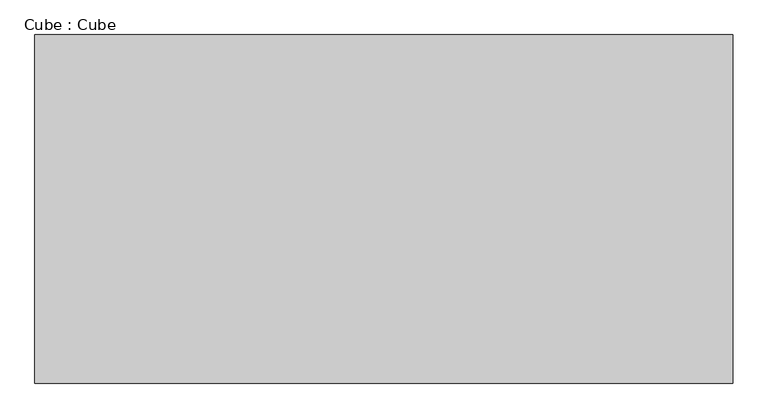
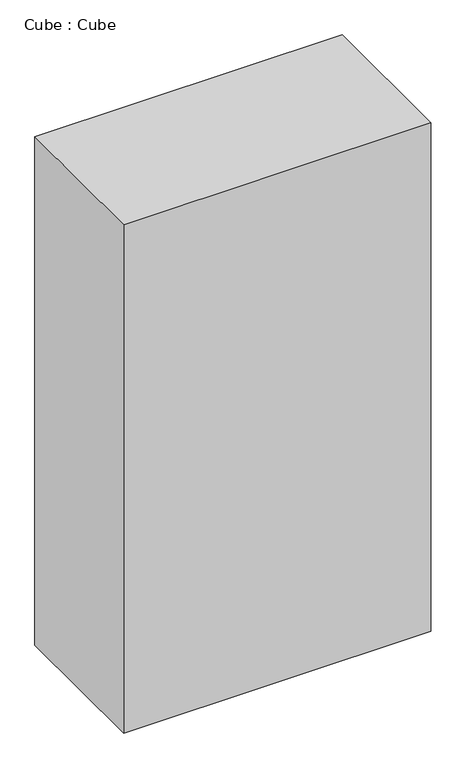
"""IFC4 building model written with IfcOpenShell, lengths in millimetres: proxy geometry, Cube : Cube."""

import ifcopenshell
import ifcopenshell.guid

model = None  # the IFC model being written
_history = None  # IfcOwnerHistory: only IFC2X3 demands one
_inside = {}  # id of a spatial element -> (the spatial element, [elements in it])
_under = {}  # id of a project, library or spatial element -> (it, [spatial elements below it])
_declared = {}  # id of a project -> (the project, [libraries it declares])
_typed = {}  # id of a type object -> (the type object, [elements of that type])
_made_of = {}  # id of a material, layer set ... -> (it, [elements and type objects made of it])


def new_model(schema):
    """Start an empty IFC model of exactly this schema.

    Asked for "IFC4X3", IfcOpenShell would pick the latest addendum, in which some entities
    have other attributes; the version numbers below select the first issue.
    IFC2X3 requires an IfcOwnerHistory on every rooted entity: one is made here for all.
    """
    global model, _history
    if schema == "IFC4X3":
        model = ifcopenshell.file(schema_version=(4, 3, 0, 0))
    else:
        model = ifcopenshell.file(schema=schema)
    _inside.clear()
    _under.clear()
    _declared.clear()
    _typed.clear()
    _made_of.clear()
    _history = None
    if model.schema == "IFC2X3":
        org = make("IfcOrganization", Name="unknown")
        user = make(
            "IfcPersonAndOrganization",
            ThePerson=make("IfcPerson", FamilyName="unknown"),
            TheOrganization=org,
        )
        app = make(
            "IfcApplication",
            ApplicationDeveloper=org,
            Version="unknown",
            ApplicationFullName="unknown",
            ApplicationIdentifier="unknown",
        )
        _history = make(
            "IfcOwnerHistory",
            OwningUser=user,
            OwningApplication=app,
            ChangeAction="ADDED",
            CreationDate=0,
        )
    return model


def make(cls, **values):
    """One entity of the class cls with the attributes given. An attribute that is None is left unset."""
    return model.create_entity(
        cls, **{name: value for name, value in values.items() if value is not None}
    )


def rooted(cls, **values):
    """An entity with a GlobalId (a new one), such as an element, a storey or a relation."""
    return make(cls, GlobalId=ifcopenshell.guid.new(), OwnerHistory=_history, **values)


def si_unit(unit_type, name, prefix=None):
    """IfcSIUnit, for example si_unit("LENGTHUNIT", "METRE", prefix="MILLI")."""
    return make("IfcSIUnit", UnitType=unit_type, Prefix=prefix, Name=name)


def assignment(units):
    """IfcUnitAssignment: the units of a project."""
    return None if units is None else make("IfcUnitAssignment", Units=units)


def point(xyz):
    """IfcCartesianPoint."""
    return None if xyz is None else make("IfcCartesianPoint", Coordinates=xyz)


def direction(xyz):
    """IfcDirection."""
    return None if xyz is None else make("IfcDirection", DirectionRatios=xyz)


def frame(location, z_axis=None, x_axis=None):
    """IfcAxis2Placement3D, a coordinate frame: its origin and axes. An axis left out is left unset."""
    return make(
        "IfcAxis2Placement3D",
        Location=point(location),
        Axis=direction(z_axis),
        RefDirection=direction(x_axis),
    )


def origin():
    """The frame at (0, 0, 0) with its axes left unset."""
    return frame((0.0, 0.0, 0.0))


def origin_with_axes():
    """The frame at (0, 0, 0) with the z axis (0, 0, 1) and the x axis (1, 0, 0) written out."""
    return frame((0.0, 0.0, 0.0), z_axis=(0.0, 0.0, 1.0), x_axis=(1.0, 0.0, 0.0))


def place(relative_to, where):
    """IfcLocalPlacement: puts the frame where relative to a parent placement (None: the world)."""
    return make(
        "IfcLocalPlacement", PlacementRelTo=relative_to, RelativePlacement=where
    )


def context(
    kind, dimensions, precision=None, world=None, true_north=None, identifier=None
):
    """IfcGeometricRepresentationContext, for example the 3D "Model" context."""
    return make(
        "IfcGeometricRepresentationContext",
        ContextIdentifier=identifier,
        ContextType=kind,
        CoordinateSpaceDimension=dimensions,
        Precision=precision,
        WorldCoordinateSystem=world,
        TrueNorth=true_north,
    )


def project(units=None, contexts=None):
    """IfcProject with its units and contexts."""
    return rooted(
        "IfcProject",
        Name="project",
        RepresentationContexts=contexts,
        UnitsInContext=assignment(units),
    )


def spatial(cls, under=None, at=None, **own):
    """A site, building, storey or space (cls), placed at a placement, below another one or the project."""
    s = rooted(cls, ObjectPlacement=at, **own)
    if under is not None:
        _under.setdefault(under.id(), (under, []))[1].append(s)
    return s


def polyline(points):
    """IfcPolyline through the points."""
    return make("IfcPolyline", Points=[point(p) for p in points])


def outline(outer, holes=None, kind="AREA"):
    """IfcArbitraryClosedProfileDef: a profile drawn as a closed curve; with holes, ...WithVoids."""
    if holes is None:
        return make("IfcArbitraryClosedProfileDef", ProfileType=kind, OuterCurve=outer)
    return make(
        "IfcArbitraryProfileDefWithVoids",
        ProfileType=kind,
        OuterCurve=outer,
        InnerCurves=holes,
    )


def extrude(swept, where, along, depth):
    """IfcExtrudedAreaSolid: the profile swept, set in the frame where, extruded along a direction by depth."""
    return make(
        "IfcExtrudedAreaSolid",
        SweptArea=swept,
        Position=where,
        ExtrudedDirection=direction(along),
        Depth=depth,
    )


def shape(context_of_items, identifier, shape_type, items):
    """IfcShapeRepresentation: the items that make up one representation, for example the "Body"."""
    return make(
        "IfcShapeRepresentation",
        ContextOfItems=context_of_items,
        RepresentationIdentifier=identifier,
        RepresentationType=shape_type,
        Items=items,
    )


def source(mapping_origin, context_of_items, identifier, shape_type, items):
    """IfcRepresentationMap: a shape defined once, which mapped items show again and again."""
    return make(
        "IfcRepresentationMap",
        MappingOrigin=mapping_origin,
        MappedRepresentation=shape(context_of_items, identifier, shape_type, items),
    )


def transform(
    local_origin,
    x_axis=None,
    y_axis=None,
    z_axis=None,
    scale=None,
    scale2=None,
    scale3=None,
    uniform=True,
):
    """IfcCartesianTransformationOperator3D, or its non-uniform kind. x_axis, y_axis, z_axis: its Axis1, 2, 3."""
    if uniform:
        return make(
            "IfcCartesianTransformationOperator3D",
            Axis1=direction(x_axis),
            Axis2=direction(y_axis),
            LocalOrigin=point(local_origin),
            Scale=scale,
            Axis3=direction(z_axis),
        )
    return make(
        "IfcCartesianTransformationOperator3DnonUniform",
        Axis1=direction(x_axis),
        Axis2=direction(y_axis),
        LocalOrigin=point(local_origin),
        Scale=scale,
        Axis3=direction(z_axis),
        Scale2=scale2,
        Scale3=scale3,
    )


def mapped(mapping_source, mapping_target):
    """IfcMappedItem: shows the shape of a source again, moved by a transform."""
    return make(
        "IfcMappedItem", MappingSource=mapping_source, MappingTarget=mapping_target
    )


def made_of(thing, what):
    """Note that an element or type object is made of a material, layer set ...; save() writes the relation."""
    if what is not None:
        _made_of.setdefault(what.id(), (what, []))[1].append(thing)
    return thing


def element(
    cls,
    number,
    at=None,
    inside=None,
    cuts=None,
    type_object=None,
    material=None,
    context=None,
    identifier="Body",
    shape_type=None,
    held_by="IfcProductDefinitionShape",
    body=None,
    shapes=None,
    **own,
):
    """One element of the class cls, such as IfcWall. Its Tag is "e" and its number.

    at: its placement. inside: the storey or other place that contains it. cuts: it is an
    opening in that element (IfcRelVoidsElement). A single representation is given by context,
    identifier, shape_type and body (its items); several are given by shapes. held_by: the class
    of the entity that holds the representations. save() writes the other relations.
    """
    e = rooted(cls, Tag="e%d" % number, ObjectPlacement=at, **own)
    if body is not None:
        shapes = [shape(context, identifier, shape_type, body)]
    if shapes is not None:
        e.Representation = make(held_by, Representations=shapes)
    if inside is not None:
        _inside.setdefault(inside.id(), (inside, []))[1].append(e)
    if cuts is not None:
        rooted(
            "IfcRelVoidsElement", RelatingBuildingElement=cuts, RelatedOpeningElement=e
        )
    if type_object is not None:
        _typed.setdefault(type_object.id(), (type_object, []))[1].append(e)
    return made_of(e, material)


def aggregate(whole, parts):
    """IfcRelAggregates: a whole, such as a stair, and the parts it consists of."""
    return rooted("IfcRelAggregates", RelatingObject=whole, RelatedObjects=parts)


def save(model, path):
    """Write the relations noted so far, then the file.

    IfcRelAggregates (storeys below a building ...), IfcRelContainedInSpatialStructure (elements
    in a storey), IfcRelDefinesByType, IfcRelAssociatesMaterial and IfcRelDeclares: one each for
    every whole, place, type object, material and project.
    """
    for whole, parts in _under.values():
        aggregate(whole, parts)
    for where, things in _inside.values():
        rooted(
            "IfcRelContainedInSpatialStructure",
            RelatedElements=things,
            RelatingStructure=where,
        )
    for kind, things in _typed.values():
        rooted("IfcRelDefinesByType", RelatedObjects=things, RelatingType=kind)
    for what, things in _made_of.values():
        rooted("IfcRelAssociatesMaterial", RelatedObjects=things, RelatingMaterial=what)
    for by, libraries in _declared.values():
        rooted("IfcRelDeclares", RelatingContext=by, RelatedDefinitions=libraries)
    model.write(path)


def cube_cube_27d55578(model_context):
    return source(origin(), model_context, "Body", "SweptSolid", [
        extrude(outline(polyline([(2000.0, 1000.0), (2000.0, -1000.0), (-2000.0, -1000.0), (-2000.0, 1000.0), (2000.0, 1000.0)])), origin_with_axes(), (0.0, 0.0, 1.0), 7000.0),
    ])


if __name__ == "__main__":
    model = new_model("IFC4")
    model_context = context("Model", 3, world=origin())
    ifc_project = project(units=[si_unit("LENGTHUNIT", "METRE", prefix="MILLI")], contexts=[model_context])
    site = spatial("IfcSite", under=ifc_project)
    building = spatial("IfcBuilding", under=site)
    placement = place(None, origin())
    cube_cube_shape = cube_cube_27d55578(model_context)
    element("IfcBuildingElementProxy", 1, Name="Cube : Cube", ObjectType="Cube : Cube", at=placement, inside=building, context=model_context, shape_type="MappedRepresentation", body=[
        mapped(cube_cube_shape, transform((0.0, 0.0, 0.0), x_axis=(1.0, 0.0, 0.0), y_axis=(0.0, 1.0, 0.0), z_axis=(0.0, 0.0, 1.0))),
    ])
    save(model, "model.ifc")
